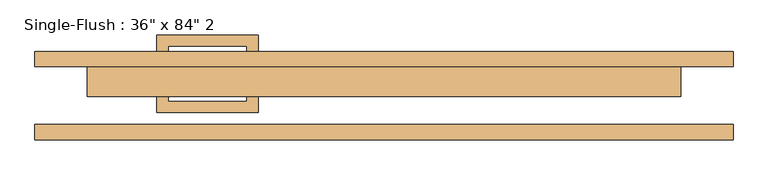
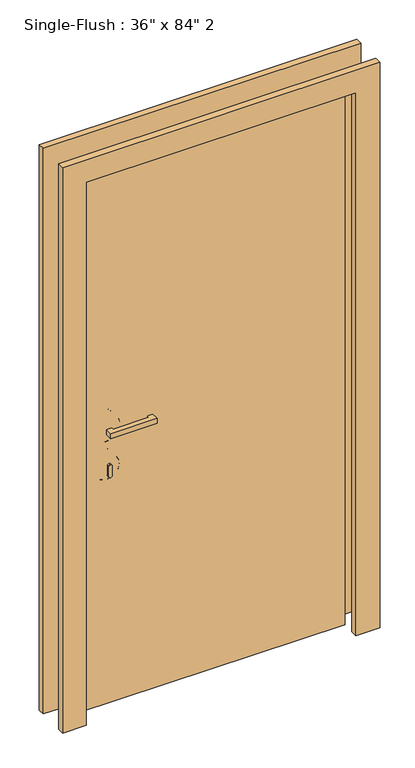
"""IFC4 building model written with IfcOpenShell, lengths in millimetres: door geometry."""

from ifc_helpers import new_model, si_unit, point, frame, frame_2d, origin, origin_with_axes, place, context, project, spatial, polyline, circle_curve, ellipse_curve, trimmed, segment, composite_curve, outline, extrude, source, transform, mapped, element, save
from ifc_brep_helpers import plane_surface, cylinder_surface, revolved_surface, advanced_brep


def door_292e67b0(model_context):
    return source(origin(), model_context, "Body", "SolidModel", [
        extrude(outline(polyline([(-365.125, 12.7), (-365.125, -9.525), (-231.775, -9.525), (-231.775, 6.35), (-212.725, 6.35), (-212.725, -28.575), (-384.175, -28.575), (-384.175, 12.7), (-365.125, 12.7)])), frame((0.0, 0.0, 1057.275), z_axis=(0.0, 0.0, 1.0), x_axis=(1.0, 0.0, 0.0)), (0.0, 0.0, 1.0), 19.05),
        extrude(outline(composite_curve([segment(trimmed(circle_curve(frame_2d((895.35, -374.65)), 6.35), [point((895.35, -381.0))], [point((895.35, -368.3))], False, "CARTESIAN"), True, "CONTINUOUS"), segment(polyline([(895.35, -368.3), (933.45, -368.3)]), True, "CONTINUOUS"), segment(trimmed(circle_curve(frame_2d((933.45, -374.65)), 6.35), [point((933.45, -368.3))], [point((933.45, -381.0))], False, "CARTESIAN"), True, "CONTINUOUS"), segment(polyline([(933.45, -381.0), (895.35, -381.0)]), True, "CONTINUOUS")], self_intersect=False)), frame((0.0, -9.525, 0.0), z_axis=(0.0, 1.0, 0.0), x_axis=(0.0, 0.0, 1.0)), (0.0, 0.0, 1.0), 22.225),
        advanced_brep(
        [(-327.025, 15.875, 914.4), (-327.025, 25.4, 914.4), (-422.275, 25.4, 914.4), (-422.275, 15.875, 914.4), (-330.2, 12.7, 914.4), (-419.1, 12.7, 914.4), (-374.65, 12.7, 914.4), (-374.65, 25.4, 914.4)],
        [
            (0, 1),
            (1, 2, circle_curve(frame((-374.65, 25.4, 914.4), z_axis=(0.0, -1.0, 0.0), x_axis=(-1.0, 0.0, 0.0)), 47.625)),
            (2, 3),
            (3, 0, circle_curve(frame((-374.65, 15.875, 914.4), z_axis=(0.0, 1.0, 0.0), x_axis=(-1.0, 0.0, 0.0)), 47.625)),
            (2, 1, circle_curve(frame((-374.65, 25.4, 914.4), z_axis=(0.0, -1.0, 0.0), x_axis=(-1.0, 0.0, 0.0)), 47.625)),
            (0, 3, circle_curve(frame((-374.65, 15.875, 914.4), z_axis=(0.0, 1.0, 0.0), x_axis=(-1.0, 0.0, 0.0)), 47.625)),
            (4, 0, circle_curve(frame((-330.2, 15.875, 914.4), z_axis=(0.0, 0.0, 1.0), x_axis=(-1.0, 0.0, 0.0)), 3.175)),
            (3, 5, circle_curve(frame((-419.1, 15.875, 914.4), z_axis=(0.0, 0.0, 1.0), x_axis=(1.0, 0.0, 0.0)), 3.175)),
            (5, 4, circle_curve(frame((-374.65, 12.7, 914.4), z_axis=(0.0, 1.0, 0.0), x_axis=(-1.0, 0.0, 0.0)), 44.45)),
            (4, 5, circle_curve(frame((-374.65, 12.7, 914.4), z_axis=(0.0, 1.0, 0.0), x_axis=(-1.0, 0.0, 0.0)), 44.45)),
            (6, 4),
            (5, 6),
            (1, 7),
            (7, 2),
        ],
        [
            cylinder_surface(frame((-374.65, 152.4, 914.4), z_axis=(0.0, -1.0, 0.0), x_axis=(-1.0, 0.0, 0.0)), 47.625),
            revolved_surface(trimmed(ellipse_curve(frame((-419.1, 15.875, 914.4), z_axis=(0.0, 0.0, 1.0), x_axis=(1.0, 0.0, 0.0)), 3.175, 3.175), [point((-422.275, 15.875, 914.4))], [point((-419.1, 12.7, 914.4))], True, "CARTESIAN"), (-374.65, 152.4, 914.4), (0.0, -1.0, 0.0)),
            plane_surface(frame((-374.65, 12.7, 914.4), z_axis=(0.0, -1.0, 0.0), x_axis=(-1.0, 0.0, 0.0))),
            plane_surface(frame((-374.65, 25.4, 914.4), z_axis=(0.0, 1.0, 0.0), x_axis=(-1.0, 0.0, 0.0))),
        ],
        [
            (0, [[1, 2, 3, 4]]),
            (0, [[-3, 5, -1, 6]]),
            (1, [[7, -4, 8, 9]]),
            (1, [[-8, -6, -7, 10]]),
            (2, [[11, -9, 12]]),
            (2, [[-12, -10, -11]]),
            (3, [[13, 14, -2]]),
            (3, [[-14, -13, -5]]),
        ],
    ),
        advanced_brep(
        [(-323.85, 15.875, 1066.8), (-323.85, 25.4, 1066.8), (-425.45, 25.4, 1066.8), (-425.45, 15.875, 1066.8), (-327.025, 12.7, 1066.8), (-422.275, 12.7, 1066.8), (-374.65, 12.7, 1066.8), (-374.65, 25.4, 1066.8)],
        [
            (0, 1),
            (1, 2, circle_curve(frame((-374.65, 25.4, 1066.8), z_axis=(0.0, -1.0, 0.0), x_axis=(-1.0, 0.0, 0.0)), 50.8)),
            (2, 3),
            (3, 0, circle_curve(frame((-374.65, 15.875, 1066.8), z_axis=(0.0, 1.0, 0.0), x_axis=(-1.0, 0.0, 0.0)), 50.8)),
            (2, 1, circle_curve(frame((-374.65, 25.4, 1066.8), z_axis=(0.0, -1.0, 0.0), x_axis=(-1.0, 0.0, 0.0)), 50.8)),
            (0, 3, circle_curve(frame((-374.65, 15.875, 1066.8), z_axis=(0.0, 1.0, 0.0), x_axis=(-1.0, 0.0, 0.0)), 50.8)),
            (4, 0, circle_curve(frame((-327.025, 15.875, 1066.8), z_axis=(0.0, 0.0, 1.0), x_axis=(-1.0, 0.0, 0.0)), 3.175)),
            (3, 5, circle_curve(frame((-422.275, 15.875, 1066.8), z_axis=(0.0, 0.0, 1.0), x_axis=(1.0, 0.0, 0.0)), 3.175)),
            (5, 4, circle_curve(frame((-374.65, 12.7, 1066.8), z_axis=(0.0, 1.0, 0.0), x_axis=(-1.0, 0.0, 0.0)), 47.625)),
            (4, 5, circle_curve(frame((-374.65, 12.7, 1066.8), z_axis=(0.0, 1.0, 0.0), x_axis=(-1.0, 0.0, 0.0)), 47.625)),
            (6, 4),
            (5, 6),
            (1, 7),
            (7, 2),
        ],
        [
            cylinder_surface(frame((-374.65, 152.4, 1066.8), z_axis=(0.0, -1.0, 0.0), x_axis=(-1.0, 0.0, 0.0)), 50.8),
            revolved_surface(trimmed(ellipse_curve(frame((-422.275, 15.875, 1066.8), z_axis=(0.0, 0.0, 1.0), x_axis=(1.0, 0.0, 0.0)), 3.175, 3.175), [point((-425.45, 15.875, 1066.8))], [point((-422.275, 12.7, 1066.8))], True, "CARTESIAN"), (-374.65, 152.4, 1066.8), (0.0, -1.0, 0.0)),
            plane_surface(frame((-374.65, 12.7, 1066.8), z_axis=(0.0, -1.0, 0.0), x_axis=(-1.0, 0.0, 0.0))),
            plane_surface(frame((-374.65, 25.4, 1066.8), z_axis=(0.0, 1.0, 0.0), x_axis=(-1.0, 0.0, 0.0))),
        ],
        [
            (0, [[1, 2, 3, 4]]),
            (0, [[-3, 5, -1, 6]]),
            (1, [[7, -4, 8, 9]]),
            (1, [[-8, -6, -7, 10]]),
            (2, [[11, -9, 12]]),
            (2, [[-12, -10, -11]]),
            (3, [[13, 14, -2]]),
            (3, [[-14, -13, -5]]),
        ],
    ),
        extrude(outline(polyline([(-365.125, 61.9125), (-384.175, 61.9125), (-384.175, 103.1875), (-212.725, 103.1875), (-212.725, 68.2625), (-231.775, 68.2625), (-231.775, 84.1375), (-365.125, 84.1375), (-365.125, 61.9125)])), frame((0.0, 0.0, 1057.275), z_axis=(0.0, 0.0, 1.0), x_axis=(1.0, 0.0, 0.0)), (0.0, 0.0, 1.0), 19.05),
        extrude(outline(composite_curve([segment(trimmed(circle_curve(frame_2d((895.35, -374.65)), 6.35), [point((895.35, -381.0))], [point((895.35, -368.3))], False, "CARTESIAN"), True, "CONTINUOUS"), segment(polyline([(895.35, -368.3), (933.45, -368.3)]), True, "CONTINUOUS"), segment(trimmed(circle_curve(frame_2d((933.45, -374.65)), 6.35), [point((933.45, -368.3))], [point((933.45, -381.0))], False, "CARTESIAN"), True, "CONTINUOUS"), segment(polyline([(933.45, -381.0), (895.35, -381.0)]), True, "CONTINUOUS")], self_intersect=False)), frame((0.0, 61.9125, 0.0), z_axis=(0.0, 1.0, 0.0), x_axis=(0.0, 0.0, 1.0)), (0.0, 0.0, 1.0), 22.225),
        advanced_brep(
        [(-327.025, 58.7375, 914.4), (-422.275, 58.7375, 914.4), (-422.275, 49.2125, 914.4), (-327.025, 49.2125, 914.4), (-330.2, 61.9125, 914.4), (-419.1, 61.9125, 914.4), (-374.65, 61.9125, 914.4), (-374.65, 49.2125, 914.4)],
        [
            (0, 1, circle_curve(frame((-374.65, 58.7375, 914.4), z_axis=(0.0, -1.0, 0.0), x_axis=(-1.0, 0.0, 0.0)), 47.625)),
            (1, 2),
            (2, 3, circle_curve(frame((-374.65, 49.2125, 914.4), z_axis=(0.0, 1.0, 0.0), x_axis=(-1.0, 0.0, 0.0)), 47.625)),
            (3, 0),
            (1, 0, circle_curve(frame((-374.65, 58.7375, 914.4), z_axis=(0.0, -1.0, 0.0), x_axis=(-1.0, 0.0, 0.0)), 47.625)),
            (3, 2, circle_curve(frame((-374.65, 49.2125, 914.4), z_axis=(0.0, 1.0, 0.0), x_axis=(-1.0, 0.0, 0.0)), 47.625)),
            (4, 5, circle_curve(frame((-374.65, 61.9125, 914.4), z_axis=(0.0, -1.0, 0.0), x_axis=(-1.0, 0.0, 0.0)), 44.45)),
            (5, 1, circle_curve(frame((-419.1, 58.7375, 914.4), z_axis=(0.0, 0.0, 1.0), x_axis=(1.0, 0.0, 0.0)), 3.175)),
            (0, 4, circle_curve(frame((-330.2, 58.7375, 914.4), z_axis=(0.0, 0.0, 1.0), x_axis=(-1.0, 0.0, 0.0)), 3.175)),
            (5, 4, circle_curve(frame((-374.65, 61.9125, 914.4), z_axis=(0.0, -1.0, 0.0), x_axis=(-1.0, 0.0, 0.0)), 44.45)),
            (6, 5),
            (4, 6),
            (2, 7),
            (7, 3),
        ],
        [
            cylinder_surface(frame((-374.65, -77.7875, 914.4), z_axis=(0.0, 1.0, 0.0), x_axis=(-1.0, 0.0, 0.0)), 47.625),
            revolved_surface(trimmed(ellipse_curve(frame((-419.1, 58.7375, 914.4), z_axis=(0.0, 0.0, -1.0), x_axis=(1.0, 0.0, 0.0)), 3.175, 3.175), [point((-422.275, 58.7375, 914.4))], [point((-419.1, 61.9125, 914.4))], True, "CARTESIAN"), (-374.65, -77.7875, 914.4), (0.0, 1.0, 0.0)),
            plane_surface(frame((-374.65, 61.9125, 914.4), z_axis=(0.0, 1.0, 0.0), x_axis=(-1.0, 0.0, 0.0))),
            plane_surface(frame((-374.65, 49.2125, 914.4), z_axis=(0.0, -1.0, 0.0), x_axis=(-1.0, 0.0, 0.0))),
        ],
        [
            (0, [[1, 2, 3, 4]]),
            (0, [[5, -4, 6, -2]]),
            (1, [[7, 8, -1, 9]]),
            (1, [[10, -9, -5, -8]]),
            (2, [[11, -7, 12]]),
            (2, [[-12, -10, -11]]),
            (3, [[-3, 13, 14]]),
            (3, [[-6, -14, -13]]),
        ],
    ),
        advanced_brep(
        [(-323.85, 58.7375, 1066.8), (-425.45, 58.7375, 1066.8), (-425.45, 49.2125, 1066.8), (-323.85, 49.2125, 1066.8), (-327.025, 61.9125, 1066.8), (-422.275, 61.9125, 1066.8), (-374.65, 61.9125, 1066.8), (-374.65, 49.2125, 1066.8)],
        [
            (0, 1, circle_curve(frame((-374.65, 58.7375, 1066.8), z_axis=(0.0, -1.0, 0.0), x_axis=(-1.0, 0.0, 0.0)), 50.8)),
            (1, 2),
            (2, 3, circle_curve(frame((-374.65, 49.2125, 1066.8), z_axis=(0.0, 1.0, 0.0), x_axis=(-1.0, 0.0, 0.0)), 50.8)),
            (3, 0),
            (1, 0, circle_curve(frame((-374.65, 58.7375, 1066.8), z_axis=(0.0, -1.0, 0.0), x_axis=(-1.0, 0.0, 0.0)), 50.8)),
            (3, 2, circle_curve(frame((-374.65, 49.2125, 1066.8), z_axis=(0.0, 1.0, 0.0), x_axis=(-1.0, 0.0, 0.0)), 50.8)),
            (4, 5, circle_curve(frame((-374.65, 61.9125, 1066.8), z_axis=(0.0, -1.0, 0.0), x_axis=(-1.0, 0.0, 0.0)), 47.625)),
            (5, 1, circle_curve(frame((-422.275, 58.7375, 1066.8), z_axis=(0.0, 0.0, 1.0), x_axis=(1.0, 0.0, 0.0)), 3.175)),
            (0, 4, circle_curve(frame((-327.025, 58.7375, 1066.8), z_axis=(0.0, 0.0, 1.0), x_axis=(-1.0, 0.0, 0.0)), 3.175)),
            (5, 4, circle_curve(frame((-374.65, 61.9125, 1066.8), z_axis=(0.0, -1.0, 0.0), x_axis=(-1.0, 0.0, 0.0)), 47.625)),
            (6, 5),
            (4, 6),
            (2, 7),
            (7, 3),
        ],
        [
            cylinder_surface(frame((-374.65, -77.7875, 1066.8), z_axis=(0.0, 1.0, 0.0), x_axis=(-1.0, 0.0, 0.0)), 50.8),
            revolved_surface(trimmed(ellipse_curve(frame((-422.275, 58.7375, 1066.8), z_axis=(0.0, 0.0, -1.0), x_axis=(1.0, 0.0, 0.0)), 3.175, 3.175), [point((-425.45, 58.7375, 1066.8))], [point((-422.275, 61.9125, 1066.8))], True, "CARTESIAN"), (-374.65, -77.7875, 1066.8), (0.0, 1.0, 0.0)),
            plane_surface(frame((-374.65, 61.9125, 1066.8), z_axis=(0.0, 1.0, 0.0), x_axis=(-1.0, 0.0, 0.0))),
            plane_surface(frame((-374.65, 49.2125, 1066.8), z_axis=(0.0, -1.0, 0.0), x_axis=(-1.0, 0.0, 0.0))),
        ],
        [
            (0, [[1, 2, 3, 4]]),
            (0, [[5, -4, 6, -2]]),
            (1, [[7, 8, -1, 9]]),
            (1, [[10, -9, -5, -8]]),
            (2, [[11, -7, 12]]),
            (2, [[-12, -10, -11]]),
            (3, [[-3, 13, 14]]),
            (3, [[-6, -14, -13]]),
        ],
    ),
        extrude(outline(polyline([(2222.5, -590.55), (0.0, -590.55), (0.0, -501.65), (2133.6, -501.65), (2133.6, 501.65), (0.0, 501.65), (0.0, 590.55), (2222.5, 590.55), (2222.5, -590.55)])), frame((0.0, 49.2125, 0.0), z_axis=(0.0, 1.0, 0.0), x_axis=(0.0, 0.0, 1.0)), (0.0, 0.0, 1.0), 25.4),
        extrude(outline(polyline([(2222.5, 590.55), (2222.5, -590.55), (0.0, -590.55), (0.0, -501.65), (2133.6, -501.65), (2133.6, 501.65), (0.0, 501.65), (0.0, 590.55), (2222.5, 590.55)])), frame((0.0, -74.6125, 0.0), z_axis=(0.0, 1.0, 0.0), x_axis=(0.0, 0.0, 1.0)), (0.0, 0.0, 1.0), 25.4),
        extrude(outline(polyline([(501.65, -1.5875), (-501.65, -1.5875), (-501.65, 49.2125), (501.65, 49.2125), (501.65, -1.5875)])), origin_with_axes(), (0.0, 0.0, 1.0), 2133.6),
    ])


if __name__ == "__main__":
    model = new_model("IFC4")
    model_context = context("Model", 3, world=origin())
    ifc_project = project(units=[si_unit("LENGTHUNIT", "METRE", prefix="MILLI")], contexts=[model_context])
    site = spatial("IfcSite", under=ifc_project)
    building = spatial("IfcBuilding", under=site)
    placement = place(None, origin())
    door_shape = door_292e67b0(model_context)
    element("IfcDoor", 1, ObjectType="Single-Flush : 36\" x 84\" 2", at=placement, inside=building, context=model_context, shape_type="MappedRepresentation", body=[
        mapped(door_shape, transform((0.0, 0.0, 0.0), x_axis=(1.0, 0.0, 0.0), y_axis=(0.0, 1.0, 0.0), z_axis=(0.0, 0.0, 1.0))),
    ])
    save(model, "model.ifc")
